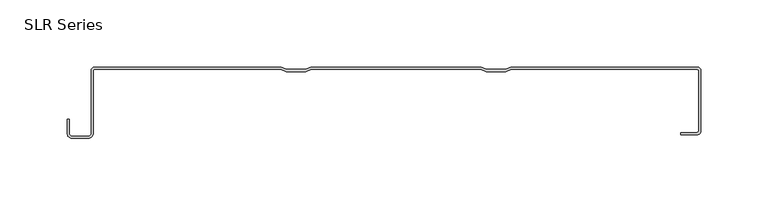
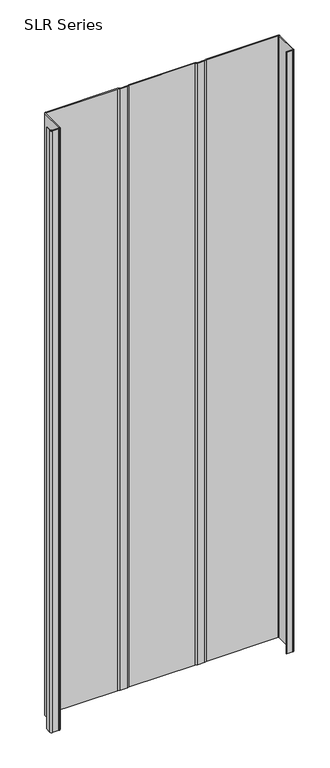
"""IFC4 building model written with IfcOpenShell, lengths in millimetres: plate geometry, SLR Series."""

from ifc_helpers import new_model, si_unit, point, frame_2d, origin, origin_with_axes, place, context, project, spatial, polyline, circle_curve, trimmed, segment, composite_curve, outline, extrude, source, transform, mapped, element, save


def slr_series_805be33c(model_context):
    return source(origin(), model_context, "Body", "SweptSolid", [
        extrude(outline(composite_curve([segment(trimmed(circle_curve(frame_2d((-226.4785173, -49.322367)), 3.5323605), [point((-222.9461568, -49.322367))], [point((-226.4785173, -52.8547275))], False, "CARTESIAN"), True, "CONTINUOUS"), segment(polyline([(-226.4785173, -52.8547275), (-238.8643672, -52.8547275)]), True, "CONTINUOUS"), segment(trimmed(circle_curve(frame_2d((-238.8643672, -49.322367)), 3.5323605), [point((-238.8643672, -52.8547275))], [point((-242.3967277, -49.322367))], False, "CARTESIAN"), True, "CONTINUOUS"), segment(polyline([(-242.3967277, -49.322367), (-242.3967277, -38.9158598), (-240.8437099, -38.9158598), (-240.8437099, -49.322367)]), True, "CONTINUOUS"), segment(trimmed(circle_curve(frame_2d((-238.8643672, -49.322367)), 1.9793427), [point((-240.8437099, -49.322367))], [point((-238.8643672, -51.3017098))], True, "CARTESIAN"), True, "CONTINUOUS"), segment(polyline([(-238.8643672, -51.3017098), (-226.4785173, -51.3017098)]), True, "CONTINUOUS"), segment(trimmed(circle_curve(frame_2d((-226.4785173, -49.322367)), 1.9793427), [point((-226.4785173, -51.3017098))], [point((-224.4991745, -49.322367))], True, "CARTESIAN"), True, "CONTINUOUS"), segment(polyline([(-224.4991745, -49.322367), (-224.4991745, -2.7245977)]), True, "CONTINUOUS"), segment(trimmed(circle_curve(frame_2d((-221.7739184, -2.7245977)), 2.7252562), [point((-224.4991745, -2.7245977))], [point((-221.8338236, 0.0))], False, "CARTESIAN"), True, "CONTINUOUS"), segment(polyline([(-221.8338236, 0.0), (-83.1074824, 0.0), (-78.9851733, -1.6489237), (-65.2131758, -1.6489237), (-61.0908667, 0.0), (65.9416921, 0.0), (70.0640013, -1.6489237), (83.8359987, -1.6489237), (87.9583079, 0.0), (226.5762298, 0.0)]), True, "CONTINUOUS"), segment(trimmed(circle_curve(frame_2d((226.627246, -2.7222761)), 2.722754), [point((226.5762298, 0.0))], [point((229.35, -2.7222761))], False, "CARTESIAN"), True, "CONTINUOUS"), segment(polyline([(229.35, -2.7222761), (229.35, -47.5057747)]), True, "CONTINUOUS"), segment(trimmed(circle_curve(frame_2d((226.5762298, -47.5057747)), 2.7737702), [point((229.35, -47.5057747))], [point((226.5762298, -50.2795449))], False, "CARTESIAN"), True, "CONTINUOUS"), segment(polyline([(226.5762298, -50.2795449), (214.4969081, -50.2795449), (214.4969081, -48.6618105), (226.5762298, -48.6618105)]), True, "CONTINUOUS"), segment(trimmed(circle_curve(frame_2d((226.5762298, -47.5057747)), 1.1560358), [point((226.5762298, -48.6618105))], [point((227.7322657, -47.5057747))], True, "CARTESIAN"), True, "CONTINUOUS"), segment(polyline([(227.7322657, -47.5057747), (227.7322657, -2.7435358)]), True, "CONTINUOUS"), segment(trimmed(circle_curve(frame_2d((226.5762298, -2.7435358)), 1.1560358), [point((227.7322657, -2.7435358))], [point((226.5762298, -1.5875))], True, "CARTESIAN"), True, "CONTINUOUS"), segment(polyline([(226.5762298, -1.5875), (88.2640324, -1.5875), (84.1417233, -3.2364237), (69.7582767, -3.2364237), (65.6359676, -1.5875), (-60.7851421, -1.5875), (-64.9074512, -3.2364237), (-79.2908979, -3.2364237), (-83.413207, -1.5875), (-221.8338236, -1.5875)]), True, "CONTINUOUS"), segment(trimmed(circle_curve(frame_2d((-221.8338236, -2.6998332)), 1.1123332), [point((-221.8338236, -1.5875))], [point((-222.9461568, -2.6998332))], True, "CARTESIAN"), True, "CONTINUOUS"), segment(polyline([(-222.9461568, -2.6998332), (-222.9461568, -49.322367)]), True, "CONTINUOUS")], self_intersect=False)), origin_with_axes(), (0.0, 0.0, 1.0), 1228.3559792),
    ])


if __name__ == "__main__":
    model = new_model("IFC4")
    model_context = context("Model", 3, world=origin())
    ifc_project = project(units=[si_unit("LENGTHUNIT", "METRE", prefix="MILLI")], contexts=[model_context])
    site = spatial("IfcSite", under=ifc_project)
    building = spatial("IfcBuilding", under=site)
    placement = place(None, origin())
    slr_series_shape = slr_series_805be33c(model_context)
    element("IfcPlate", 1, ObjectType="SLR Series", at=placement, inside=building, context=model_context, shape_type="MappedRepresentation", body=[
        mapped(slr_series_shape, transform((0.0, 0.0, 0.0), x_axis=(1.0, 0.0, 0.0), y_axis=(0.0, 1.0, 0.0), z_axis=(0.0, 0.0, 1.0))),
    ])
    save(model, "model.ifc")
